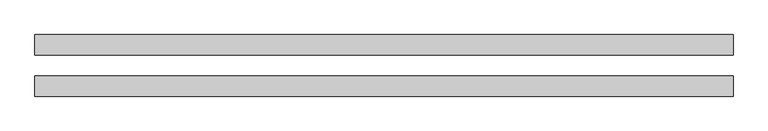
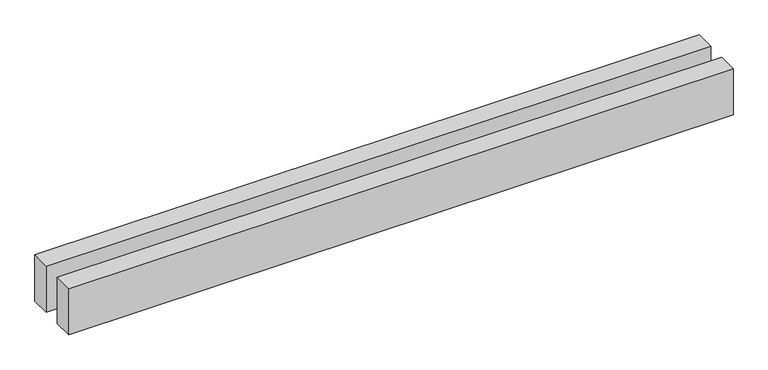
"""IFC4 building model written with IfcOpenShell, lengths in millimetres: proxy geometry."""

import ifcopenshell
import ifcopenshell.guid

model = None  # the IFC model being written
_history = None  # IfcOwnerHistory: only IFC2X3 demands one
_inside = {}  # id of a spatial element -> (the spatial element, [elements in it])
_under = {}  # id of a project, library or spatial element -> (it, [spatial elements below it])
_declared = {}  # id of a project -> (the project, [libraries it declares])
_typed = {}  # id of a type object -> (the type object, [elements of that type])
_made_of = {}  # id of a material, layer set ... -> (it, [elements and type objects made of it])


def new_model(schema):
    """Start an empty IFC model of exactly this schema.

    Asked for "IFC4X3", IfcOpenShell would pick the latest addendum, in which some entities
    have other attributes; the version numbers below select the first issue.
    IFC2X3 requires an IfcOwnerHistory on every rooted entity: one is made here for all.
    """
    global model, _history
    if schema == "IFC4X3":
        model = ifcopenshell.file(schema_version=(4, 3, 0, 0))
    else:
        model = ifcopenshell.file(schema=schema)
    _inside.clear()
    _under.clear()
    _declared.clear()
    _typed.clear()
    _made_of.clear()
    _history = None
    if model.schema == "IFC2X3":
        org = make("IfcOrganization", Name="unknown")
        user = make(
            "IfcPersonAndOrganization",
            ThePerson=make("IfcPerson", FamilyName="unknown"),
            TheOrganization=org,
        )
        app = make(
            "IfcApplication",
            ApplicationDeveloper=org,
            Version="unknown",
            ApplicationFullName="unknown",
            ApplicationIdentifier="unknown",
        )
        _history = make(
            "IfcOwnerHistory",
            OwningUser=user,
            OwningApplication=app,
            ChangeAction="ADDED",
            CreationDate=0,
        )
    return model


def make(cls, **values):
    """One entity of the class cls with the attributes given. An attribute that is None is left unset."""
    return model.create_entity(
        cls, **{name: value for name, value in values.items() if value is not None}
    )


def rooted(cls, **values):
    """An entity with a GlobalId (a new one), such as an element, a storey or a relation."""
    return make(cls, GlobalId=ifcopenshell.guid.new(), OwnerHistory=_history, **values)


def si_unit(unit_type, name, prefix=None):
    """IfcSIUnit, for example si_unit("LENGTHUNIT", "METRE", prefix="MILLI")."""
    return make("IfcSIUnit", UnitType=unit_type, Prefix=prefix, Name=name)


def assignment(units):
    """IfcUnitAssignment: the units of a project."""
    return None if units is None else make("IfcUnitAssignment", Units=units)


def point(xyz):
    """IfcCartesianPoint."""
    return None if xyz is None else make("IfcCartesianPoint", Coordinates=xyz)


def direction(xyz):
    """IfcDirection."""
    return None if xyz is None else make("IfcDirection", DirectionRatios=xyz)


def frame(location, z_axis=None, x_axis=None):
    """IfcAxis2Placement3D, a coordinate frame: its origin and axes. An axis left out is left unset."""
    return make(
        "IfcAxis2Placement3D",
        Location=point(location),
        Axis=direction(z_axis),
        RefDirection=direction(x_axis),
    )


def origin():
    """The frame at (0, 0, 0) with its axes left unset."""
    return frame((0.0, 0.0, 0.0))


def origin_with_axes():
    """The frame at (0, 0, 0) with the z axis (0, 0, 1) and the x axis (1, 0, 0) written out."""
    return frame((0.0, 0.0, 0.0), z_axis=(0.0, 0.0, 1.0), x_axis=(1.0, 0.0, 0.0))


def place(relative_to, where):
    """IfcLocalPlacement: puts the frame where relative to a parent placement (None: the world)."""
    return make(
        "IfcLocalPlacement", PlacementRelTo=relative_to, RelativePlacement=where
    )


def context(
    kind, dimensions, precision=None, world=None, true_north=None, identifier=None
):
    """IfcGeometricRepresentationContext, for example the 3D "Model" context."""
    return make(
        "IfcGeometricRepresentationContext",
        ContextIdentifier=identifier,
        ContextType=kind,
        CoordinateSpaceDimension=dimensions,
        Precision=precision,
        WorldCoordinateSystem=world,
        TrueNorth=true_north,
    )


def project(units=None, contexts=None):
    """IfcProject with its units and contexts."""
    return rooted(
        "IfcProject",
        Name="project",
        RepresentationContexts=contexts,
        UnitsInContext=assignment(units),
    )


def spatial(cls, under=None, at=None, **own):
    """A site, building, storey or space (cls), placed at a placement, below another one or the project."""
    s = rooted(cls, ObjectPlacement=at, **own)
    if under is not None:
        _under.setdefault(under.id(), (under, []))[1].append(s)
    return s


def polyline(points):
    """IfcPolyline through the points."""
    return make("IfcPolyline", Points=[point(p) for p in points])


def outline(outer, holes=None, kind="AREA"):
    """IfcArbitraryClosedProfileDef: a profile drawn as a closed curve; with holes, ...WithVoids."""
    if holes is None:
        return make("IfcArbitraryClosedProfileDef", ProfileType=kind, OuterCurve=outer)
    return make(
        "IfcArbitraryProfileDefWithVoids",
        ProfileType=kind,
        OuterCurve=outer,
        InnerCurves=holes,
    )


def extrude(swept, where, along, depth):
    """IfcExtrudedAreaSolid: the profile swept, set in the frame where, extruded along a direction by depth."""
    return make(
        "IfcExtrudedAreaSolid",
        SweptArea=swept,
        Position=where,
        ExtrudedDirection=direction(along),
        Depth=depth,
    )


def shape(context_of_items, identifier, shape_type, items):
    """IfcShapeRepresentation: the items that make up one representation, for example the "Body"."""
    return make(
        "IfcShapeRepresentation",
        ContextOfItems=context_of_items,
        RepresentationIdentifier=identifier,
        RepresentationType=shape_type,
        Items=items,
    )


def source(mapping_origin, context_of_items, identifier, shape_type, items):
    """IfcRepresentationMap: a shape defined once, which mapped items show again and again."""
    return make(
        "IfcRepresentationMap",
        MappingOrigin=mapping_origin,
        MappedRepresentation=shape(context_of_items, identifier, shape_type, items),
    )


def transform(
    local_origin,
    x_axis=None,
    y_axis=None,
    z_axis=None,
    scale=None,
    scale2=None,
    scale3=None,
    uniform=True,
):
    """IfcCartesianTransformationOperator3D, or its non-uniform kind. x_axis, y_axis, z_axis: its Axis1, 2, 3."""
    if uniform:
        return make(
            "IfcCartesianTransformationOperator3D",
            Axis1=direction(x_axis),
            Axis2=direction(y_axis),
            LocalOrigin=point(local_origin),
            Scale=scale,
            Axis3=direction(z_axis),
        )
    return make(
        "IfcCartesianTransformationOperator3DnonUniform",
        Axis1=direction(x_axis),
        Axis2=direction(y_axis),
        LocalOrigin=point(local_origin),
        Scale=scale,
        Axis3=direction(z_axis),
        Scale2=scale2,
        Scale3=scale3,
    )


def mapped(mapping_source, mapping_target):
    """IfcMappedItem: shows the shape of a source again, moved by a transform."""
    return make(
        "IfcMappedItem", MappingSource=mapping_source, MappingTarget=mapping_target
    )


def made_of(thing, what):
    """Note that an element or type object is made of a material, layer set ...; save() writes the relation."""
    if what is not None:
        _made_of.setdefault(what.id(), (what, []))[1].append(thing)
    return thing


def element(
    cls,
    number,
    at=None,
    inside=None,
    cuts=None,
    type_object=None,
    material=None,
    context=None,
    identifier="Body",
    shape_type=None,
    held_by="IfcProductDefinitionShape",
    body=None,
    shapes=None,
    **own,
):
    """One element of the class cls, such as IfcWall. Its Tag is "e" and its number.

    at: its placement. inside: the storey or other place that contains it. cuts: it is an
    opening in that element (IfcRelVoidsElement). A single representation is given by context,
    identifier, shape_type and body (its items); several are given by shapes. held_by: the class
    of the entity that holds the representations. save() writes the other relations.
    """
    e = rooted(cls, Tag="e%d" % number, ObjectPlacement=at, **own)
    if body is not None:
        shapes = [shape(context, identifier, shape_type, body)]
    if shapes is not None:
        e.Representation = make(held_by, Representations=shapes)
    if inside is not None:
        _inside.setdefault(inside.id(), (inside, []))[1].append(e)
    if cuts is not None:
        rooted(
            "IfcRelVoidsElement", RelatingBuildingElement=cuts, RelatedOpeningElement=e
        )
    if type_object is not None:
        _typed.setdefault(type_object.id(), (type_object, []))[1].append(e)
    return made_of(e, material)


def aggregate(whole, parts):
    """IfcRelAggregates: a whole, such as a stair, and the parts it consists of."""
    return rooted("IfcRelAggregates", RelatingObject=whole, RelatedObjects=parts)


def save(model, path):
    """Write the relations noted so far, then the file.

    IfcRelAggregates (storeys below a building ...), IfcRelContainedInSpatialStructure (elements
    in a storey), IfcRelDefinesByType, IfcRelAssociatesMaterial and IfcRelDeclares: one each for
    every whole, place, type object, material and project.
    """
    for whole, parts in _under.values():
        aggregate(whole, parts)
    for where, things in _inside.values():
        rooted(
            "IfcRelContainedInSpatialStructure",
            RelatedElements=things,
            RelatingStructure=where,
        )
    for kind, things in _typed.values():
        rooted("IfcRelDefinesByType", RelatedObjects=things, RelatingType=kind)
    for what, things in _made_of.values():
        rooted("IfcRelAssociatesMaterial", RelatedObjects=things, RelatingMaterial=what)
    for by, libraries in _declared.values():
        rooted("IfcRelDeclares", RelatingContext=by, RelatedDefinitions=libraries)
    model.write(path)


def generic_models_72d8c497(model_context):
    return source(origin(), model_context, "Body", "SweptSolid", [
        extrude(outline(polyline([(6795.6208467, 300.0), (6795.6208467, 100.0), (0.0, 100.0), (0.0, 300.0), (6795.6208467, 300.0)])), origin_with_axes(), (0.0, 0.0, 1.0), 500.0),
        extrude(outline(polyline([(6795.6208467, -100.0), (6795.6208467, -300.0), (0.0, -300.0), (0.0, -100.0), (6795.6208467, -100.0)])), origin_with_axes(), (0.0, 0.0, 1.0), 500.0),
    ])


if __name__ == "__main__":
    model = new_model("IFC4")
    model_context = context("Model", 3, world=origin())
    ifc_project = project(units=[si_unit("LENGTHUNIT", "METRE", prefix="MILLI")], contexts=[model_context])
    site = spatial("IfcSite", under=ifc_project)
    building = spatial("IfcBuilding", under=site)
    placement = place(None, origin())
    generic_models_shape = generic_models_72d8c497(model_context)
    element("IfcBuildingElementProxy", 1, Name="Generic Models", at=placement, inside=building, context=model_context, shape_type="MappedRepresentation", body=[
        mapped(generic_models_shape, transform((0.0, 0.0, 0.0), x_axis=(1.0, 0.0, 0.0), y_axis=(0.0, 1.0, 0.0), z_axis=(0.0, 0.0, 1.0))),
    ])
    save(model, "model.ifc")
